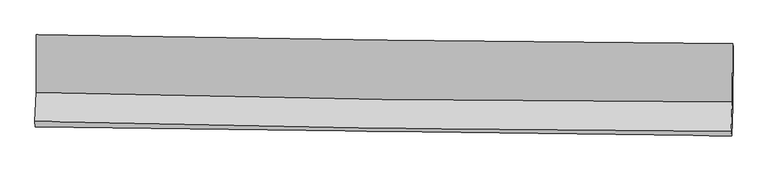
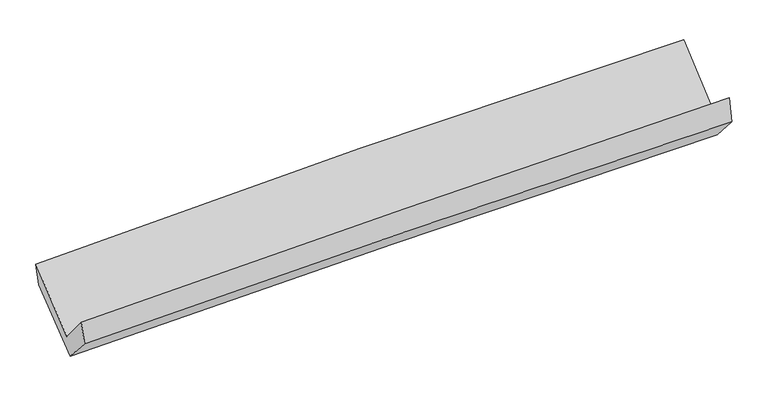
"""IFC4 building model written with IfcOpenShell, lengths in millimetres: proxy geometry."""

from ifc_helpers import new_model, si_unit, frame, origin, place, context, project, spatial, source, transform, mapped, element, save
from ifc_brep_helpers import plane_surface, spline_curve, spline_surface, advanced_brep


def generic_models_064a0c7d(model_context):
    return source(origin(), model_context, "Body", "AdvancedBrep", [
        advanced_brep(
        [(-3014.800147, -1171.5048739, 2146.2410621), (-3013.7855187, -1670.7090153, 1730.6564207), (3001.9728857, -1751.856262, 1888.7425948), (3004.6038431, -1248.7963323, 2307.6690007), (-3024.6993835, -1922.5016351, 2033.0854149), (2990.7752298, -2010.1961963, 2199.0355911), (-3021.3290781, -1970.0384051, 1846.799513), (2994.0964372, -2045.7624331, 1982.2673134), (-3010.8242846, -1717.5042172, 1563.2530431), (3004.6646182, -1793.4019716, 1698.915872), (-3011.4151879, -1211.6428024, 1964.784006), (3007.7713334, -1271.794816, 2113.0765329)],
        [
            (0, 1),
            (1, 2, spline_curve(3, [(-3013.7855187, -1670.7090153, 1730.6564207), (-2011.248669694, -1698.260011107, 1776.246349022), (-1008.338867154, -1718.797618348, 1812.217490911), (996.914908686, -1745.828373687, 1864.887746649), (1999.25790762, -1752.339848593, 1881.611996231), (3001.9728857, -1751.856262, 1888.7425948)], [4, 2, 4], [0.0, 9.88302938809149, 19.753137264292434])),
            (2, 3),
            (3, 0, spline_curve(3, [(3004.6038431, -1248.7963323, 2307.6690007), (2001.404918496, -1240.918713629, 2307.482207263), (998.516386434, -1230.544796709, 2293.954015358), (-1007.952423316, -1204.78751757, 2240.179657354), (-2011.531888262, -1189.397614998, 2199.898536631), (-3014.800147, -1171.5048739, 2146.2410621)], [4, 2, 4], [0.0, 9.870107876200944, 19.753137264292434])),
            (1, 4),
            (4, 5, spline_curve(3, [(-3024.6993835, -1922.5016351, 2033.0854149), (-2022.11229824, -1948.893630507, 2077.283263654), (-1019.201074114, -1969.398440208, 2113.215012197), (985.95797761, -1998.61457646, 2168.510136705), (1988.204957826, -2007.341286965, 2187.895113779), (2990.7752298, -2010.1961963, 2199.0355911)], [4, 2, 4], [0.0, 9.879739114325025, 19.74656101860967])),
            (5, 2),
            (4, 6),
            (6, 7, spline_curve(3, [(-3021.3290781, -1970.0384051, 1846.799513), (-2018.484516642, -1983.076431005, 1882.530061749), (-1015.448735526, -1995.909773438, 1911.68740715), (989.693602755, -2021.150581291, 1956.826163539), (1991.79965993, -2033.558581205, 1972.824751856), (2994.0964372, -2045.7624331, 1982.2673134)], [4, 2, 4], [0.0, 9.878642682844688, 19.744369589172244])),
            (7, 5),
            (6, 8),
            (8, 9, spline_curve(3, [(-3010.8242846, -1717.5042172, 1563.2530431), (-2007.967448453, -1730.582073826, 1599.028356508), (-1004.920244709, -1743.449814665, 1628.224343244), (1000.243220517, -1768.748517393, 1673.428093329), (2002.358984432, -1781.18002758, 1689.453049714), (3004.6646182, -1793.4019716, 1698.915872)], [4, 2, 4], [0.0, 9.877833391101815, 19.742752063790494])),
            (9, 7),
            (8, 10),
            (10, 11, spline_curve(3, [(-3011.4151879, -1211.6428024, 1964.784006), (-2007.841859364, -1219.43532676, 2004.780194367), (-1004.128105605, -1228.348267808, 2037.139090292), (1002.267768434, -1248.401867133, 2086.549974985), (2004.949521858, -1259.53959703, 2103.621921432), (3007.7713334, -1271.794816, 2113.0765329)], [4, 2, 4], [0.0, 9.881045342661588, 19.74917176746181])),
            (11, 9),
            (10, 0),
            (3, 11),
        ],
        [
            spline_surface(3, 3, [[(-3014.800147, -1171.5048739, 2146.2410621), (-2011.531888134, -1189.397615005, 2199.898536489), (-1007.952423409, -1204.78751758, 2240.179657322), (998.516386527, -1230.5447967, 2293.954015389), (2001.404918503, -1240.918713553, 2307.482207397), (3004.6038431, -1248.7963323, 2307.6690007)], [(-3014.461937564, -1337.906254361, 2007.712848301), (-2011.437482033, -1359.018413754, 2058.681140708), (-1008.081238033, -1376.124217885, 2097.525601838), (997.982560615, -1402.30598897, 2150.931925806), (2000.68924824, -1411.392425192, 2165.525470351), (3003.726857311, -1416.482975534, 2168.026865406)], [(-3014.123728136, -1504.307634839, 1869.184634499), (-2011.343075941, -1528.63921252, 1917.463744925), (-1008.210052645, -1547.460918205, 1954.871546379), (997.448734713, -1574.067181256, 2007.909836248), (1999.973577944, -1581.866136828, 2023.568733289), (3002.849871489, -1584.169618766, 2028.384730094)], [(-3013.7855187, -1670.7090153, 1730.6564207), (-2011.24866984, -1698.260011269, 1776.246349144), (-1008.338867269, -1718.79761851, 1812.217490895), (996.914908801, -1745.828373526, 1864.887746664), (1999.257907681, -1752.339848466, 1881.611996243), (3001.9728857, -1751.856262, 1888.7425948)]], [4, 4], [4, 2, 4], [0.0, 2.1971471566438083], [0.0, 9.88302938809149, 19.753137264292434]),
            spline_surface(3, 3, [[(-3013.7855187, -1670.7090153, 1730.6564207), (-2011.24866984, -1698.260011269, 1776.246349144), (-1008.338867269, -1718.79761851, 1812.217490895), (996.914908801, -1745.828373526, 1864.887746664), (1999.257907681, -1752.339848466, 1881.611996243), (3001.9728857, -1751.856262, 1888.7425948)], [(-3017.423473641, -1754.639888593, 1831.466085429), (-2014.869879287, -1781.804551053, 1876.591987348), (-1011.95960285, -1802.331225761, 1912.549997996), (993.262598355, -1830.090441141, 1966.095210049), (1995.573591024, -1837.340327988, 1983.706368745), (2998.240333726, -1837.969573414, 1992.17359357)], [(-3021.061428559, -1838.570761807, 1932.275750171), (-2018.491088711, -1865.349090758, 1976.937625565), (-1015.580338409, -1885.86483303, 2012.88250504), (989.610287931, -1914.352508773, 2067.302673378), (1991.889274389, -1922.340807567, 2085.800741237), (2994.507781774, -1924.082884886, 2095.60459233)], [(-3024.6993835, -1922.5016351, 2033.0854149), (-2022.112298159, -1948.893630542, 2077.283263768), (-1019.20107399, -1969.398440281, 2113.21501214), (985.957977485, -1998.614576388, 2168.510136762), (1988.204957732, -2007.341287089, 2187.895113738), (2990.7752298, -2010.1961963, 2199.0355911)]], [4, 4], [4, 2, 4], [0.0, 1.2910769675388447], [0.0, 9.879739114325025, 19.74656101860967]),
            spline_surface(3, 3, [[(-3024.6993835, -1922.5016351, 2033.0854149), (-2022.112298159, -1948.893630542, 2077.283263768), (-1019.20107399, -1969.398440281, 2113.21501214), (985.957977485, -1998.614576388, 2168.510136762), (1988.204957732, -2007.341287089, 2187.895113738), (2990.7752298, -2010.1961963, 2199.0355911)], [(-3023.575948356, -1938.34722507, 1970.990114285), (-2020.903037625, -1960.287897287, 2012.365529776), (-1017.950294449, -1978.23555135, 2046.0391438), (987.203185912, -2006.126578021, 2097.948812385), (1989.403191819, -2016.080385164, 2116.204993057), (2991.882298944, -2022.051608565, 2126.77949853)], [(-3022.452513244, -1954.19281513, 1908.894813615), (-2019.693777123, -1971.682164122, 1947.447795729), (-1016.699514992, -1987.072662395, 1978.863275429), (988.448394255, -2013.638579632, 2027.387487977), (1990.601425873, -2024.819483244, 2044.514872386), (2992.989368056, -2033.907020835, 2054.52340597)], [(-3021.3290781, -1970.0384051, 1846.799513), (-2018.484516588, -1983.076430867, 1882.530061736), (-1015.448735452, -1995.909773464, 1911.687407089), (989.693602681, -2021.150581265, 1956.8261636), (1991.799659961, -2033.558581319, 1972.824751705), (2994.0964372, -2045.7624331, 1982.2673134)]], [4, 4], [4, 2, 4], [0.0, 0.6826887957125389], [0.0, 9.878642682844688, 19.744369589172244]),
            spline_surface(3, 3, [[(-3021.3290781, -1970.0384051, 1846.799513), (-2018.484516588, -1983.076430867, 1882.530061736), (-1015.448735452, -1995.909773464, 1911.687407089), (989.693602681, -2021.150581265, 1956.8261636), (1991.799659961, -2033.558581319, 1972.824751705), (2994.0964372, -2045.7624331, 1982.2673134)], [(-3017.827480268, -1885.860342465, 1752.284023027), (-2014.978827167, -1898.911645151, 1788.029493344), (-1011.939238508, -1911.756453913, 1817.199719155), (993.210141934, -1937.016559916, 1862.360140159), (1995.31943474, -1949.432396739, 1878.367517634), (2997.619164183, -1961.642279269, 1887.81683291)], [(-3014.325882432, -1801.682279835, 1657.768533073), (-2011.473137741, -1814.746859437, 1693.528924971), (-1008.429741569, -1827.603134376, 1722.712031225), (996.726681181, -1852.882538582, 1767.894116723), (1998.839209572, -1865.306212152, 1783.910283635), (3001.141891217, -1877.522125431, 1793.36635249)], [(-3010.8242846, -1717.5042172, 1563.2530431), (-2007.96744832, -1730.58207372, 1599.02835658), (-1004.920244624, -1743.449814824, 1628.224343291), (1000.243220433, -1768.748517233, 1673.428093282), (2002.358984351, -1781.180027573, 1689.453049565), (3004.6646182, -1793.4019716, 1698.915872)]], [4, 4], [4, 2, 4], [0.0, 1.2457060759826735], [0.0, 9.877833391101815, 19.742752063790494]),
            spline_surface(3, 3, [[(-3010.8242846, -1717.5042172, 1563.2530431), (-2007.96744832, -1730.58207372, 1599.02835658), (-1004.920244624, -1743.449814824, 1628.224343291), (1000.243220433, -1768.748517233, 1673.428093282), (2002.358984351, -1781.180027573, 1689.453049565), (3004.6646182, -1793.4019716, 1698.915872)], [(-3011.021252381, -1548.8837456, 1697.096697386), (-2007.925585327, -1560.19982469, 1734.278969177), (-1004.656198313, -1571.749299209, 1764.529258944), (1000.918069744, -1595.299633834, 1811.135387171), (2003.222496846, -1607.299884001, 1827.509340184), (3005.700189926, -1619.532919728, 1836.969425646)], [(-3011.218220119, -1380.263274, 1830.940351714), (-2007.883722292, -1389.817575659, 1869.529581817), (-1004.392151925, -1400.048783557, 1900.834174637), (1001.592919131, -1421.850750398, 1948.842681099), (2004.086009362, -1433.419740446, 1965.565630765), (3006.735761674, -1445.663867872, 1975.022979254)], [(-3011.4151879, -1211.6428024, 1964.784006), (-2007.841859299, -1219.435326629, 2004.780194414), (-1004.128105614, -1228.348267942, 2037.13909029), (1002.267768442, -1248.401866999, 2086.549974987), (2004.949521857, -1259.539596874, 2103.621921385), (3007.7713334, -1271.794816, 2113.0765329)]], [4, 4], [4, 2, 4], [0.0, 2.168757913615412], [0.0, 9.881045342661588, 19.74917176746181]),
            spline_surface(3, 3, [[(-3011.4151879, -1211.6428024, 1964.784006), (-2007.841859299, -1219.435326629, 2004.780194414), (-1004.128105614, -1228.348267942, 2037.13909029), (1002.267768442, -1248.401866999, 2086.549974987), (2004.949521857, -1259.539596874, 2103.621921385), (3007.7713334, -1271.794816, 2113.0765329)], [(-3012.54350759, -1198.26349291, 2025.269691373), (-2009.0718689, -1209.422756098, 2069.819641778), (-1005.402878205, -1220.494684484, 2104.819279295), (1001.017307811, -1242.449510229, 2155.684655115), (2003.767987415, -1253.33263579, 2171.575350061), (3006.715503309, -1264.12865479, 2177.940688839)], [(-3013.67182731, -1184.88418339, 2085.755376727), (-2010.301878532, -1199.410185536, 2134.859089125), (-1006.677650818, -1212.641101038, 2172.499468317), (999.766847158, -1236.49715347, 2224.819335261), (2002.586452945, -1247.125674636, 2239.52877872), (3005.659673191, -1256.46249351, 2242.804844761)], [(-3014.800147, -1171.5048739, 2146.2410621), (-2011.531888134, -1189.397615005, 2199.898536489), (-1007.952423409, -1204.78751758, 2240.179657322), (998.516386527, -1230.5447967, 2293.954015389), (2001.404918503, -1240.918713553, 2307.482207397), (3004.6038431, -1248.7963323, 2307.6690007)]], [4, 4], [4, 2, 4], [0.0, 0.6768268634740727], [0.0, 9.885171113986088, 19.757417915894003]),
            plane_surface(frame((3000.6473912, -1686.9680019, 2031.6178175), z_axis=(0.9996075689955242, -0.02082767524190932, 0.018732750755726328), x_axis=(0.004664439230175624, 0.7831438480291096, 0.621823090839209))),
            plane_surface(frame((-3016.1422667, -1610.6501581, 1880.8032433), z_axis=(-0.999614427184865, 0.016537182367542296, -0.022305124147089753), x_axis=(0.0182110331238151, -0.2159415017747537, -0.9762364601282968))),
        ],
        [
            (0, [[1, 2, 3, 4]]),
            (1, [[5, 6, 7, -2]]),
            (2, [[8, 9, 10, -6]]),
            (3, [[11, 12, 13, -9]]),
            (4, [[14, 15, 16, -12]]),
            (5, [[17, -4, 18, -15]]),
            (6, [[-16, -18, -3, -7, -10, -13]]),
            (7, [[-17, -14, -11, -8, -5, -1]]),
        ],
    ),
    ])


if __name__ == "__main__":
    model = new_model("IFC4")
    model_context = context("Model", 3, world=origin())
    ifc_project = project(units=[si_unit("LENGTHUNIT", "METRE", prefix="MILLI")], contexts=[model_context])
    site = spatial("IfcSite", under=ifc_project)
    building = spatial("IfcBuilding", under=site)
    placement = place(None, origin())
    generic_models_shape = generic_models_064a0c7d(model_context)
    element("IfcBuildingElementProxy", 1, Name="Generic Models", at=placement, inside=building, context=model_context, shape_type="MappedRepresentation", body=[
        mapped(generic_models_shape, transform((0.0, 0.0, 0.0), x_axis=(1.0, 0.0, 0.0), y_axis=(0.0, 1.0, 0.0), z_axis=(0.0, 0.0, 1.0))),
    ])
    save(model, "model.ifc")
